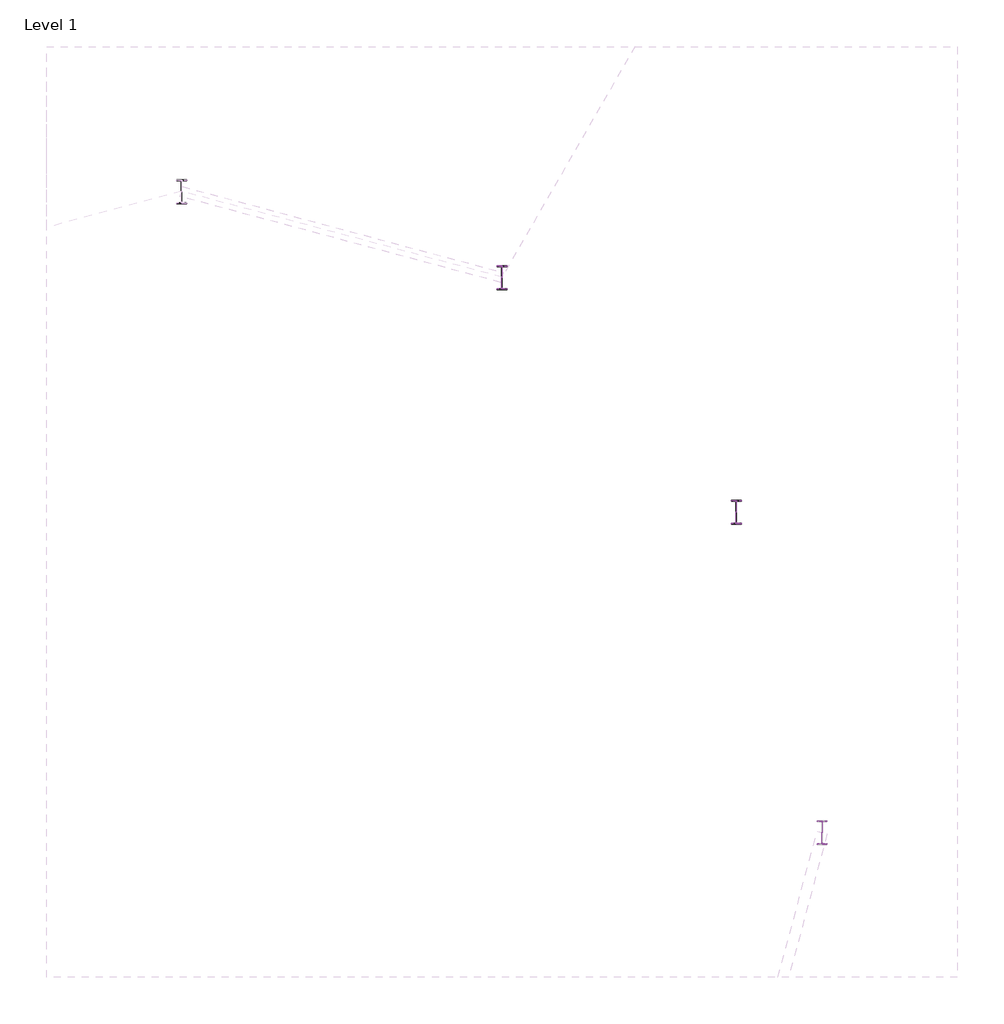
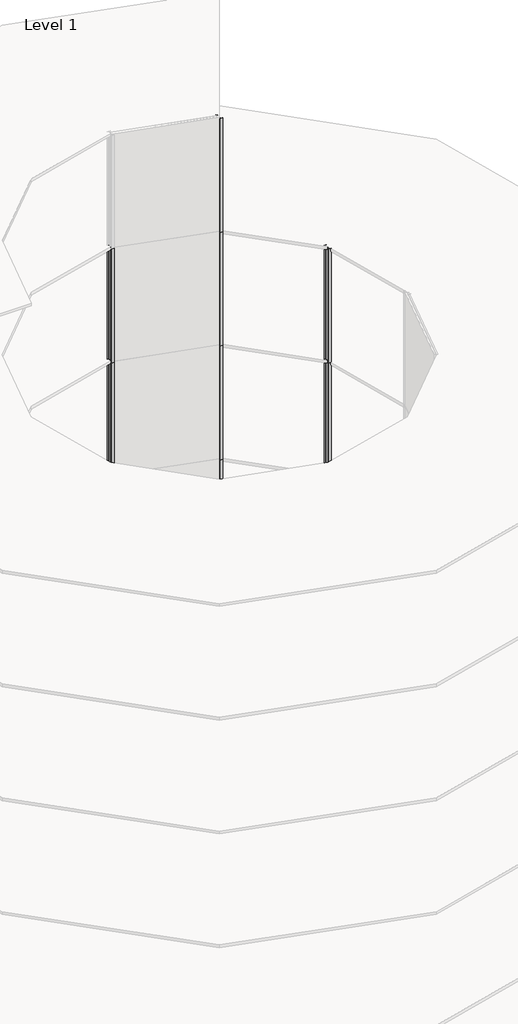
# One storey, part 7 of 9: 24 columns.
"""IFC4 building model written with IfcOpenShell, lengths in millimetres."""

from ifc_helpers import new_model, si_unit, point, frame, frame_2d, origin, origin_with_axes, place, context, project, spatial, polyline, circle_curve, trimmed, segment, composite_curve, outline, extrude, element, save

model = new_model("IFC4")

# Units and contexts
model_context = context("Model", 3, world=origin())
ifc_project = project(units=[si_unit("LENGTHUNIT", "METRE", prefix="MILLI")], contexts=[model_context])

# Site, building, storey
site = spatial("IfcSite", under=ifc_project)
building = spatial("IfcBuilding", under=site)
storey = spatial("IfcBuildingStorey", under=building, Name="Level 1", Elevation=0.0)

# Columns
placement = place(None, origin())
element("IfcColumn", 1, ObjectType="w shapes-column : W18X60", at=placement, inside=storey, context=model_context, shape_type="SweptSolid", body=[
    extrude(outline(composite_curve([segment(polyline([(10921.3298937, 6481.1402), (10921.3298937, 6463.3602), (10840.8118937, 6463.3602)]), True, "CONTINUOUS"), segment(trimmed(circle_curve(frame_2d((10840.8118937, 6453.2002)), 10.16), [point((10840.8118937, 6463.3602))], [point((10830.6518937, 6453.2002))], True, "CARTESIAN"), True, "CONTINUOUS"), segment(polyline([(10830.6518937, 6453.2002), (10830.6518937, 6046.8002)]), True, "CONTINUOUS"), segment(trimmed(circle_curve(frame_2d((10840.8118937, 6046.8002)), 10.16), [point((10830.6518937, 6046.8002))], [point((10840.8118937, 6036.6402))], True, "CARTESIAN"), True, "CONTINUOUS"), segment(polyline([(10840.8118937, 6036.6402), (10921.3298937, 6036.6402), (10921.3298937, 6018.8602), (10729.3058937, 6018.8602), (10729.3058937, 6036.6402), (10809.8238937, 6036.6402)]), True, "CONTINUOUS"), segment(trimmed(circle_curve(frame_2d((10809.8238937, 6046.8002)), 10.16), [point((10809.8238937, 6036.6402))], [point((10819.9838937, 6046.8002))], True, "CARTESIAN"), True, "CONTINUOUS"), segment(polyline([(10819.9838937, 6046.8002), (10819.9838937, 6453.2002)]), True, "CONTINUOUS"), segment(trimmed(circle_curve(frame_2d((10809.8238937, 6453.2002)), 10.16), [point((10819.9838937, 6453.2002))], [point((10809.8238937, 6463.3602))], True, "CARTESIAN"), True, "CONTINUOUS"), segment(polyline([(10809.8238937, 6463.3602), (10729.3058937, 6463.3602), (10729.3058937, 6481.1402), (10921.3298937, 6481.1402)]), True, "CONTINUOUS")], self_intersect=False)), origin_with_axes(), (0.0, 0.0, 1.0), 8000.000256),
])
element("IfcColumn", 2, ObjectType="w shapes-column : W18X60", at=placement, inside=storey, context=model_context, shape_type="SweptSolid", body=[
    extrude(outline(composite_curve([segment(polyline([(10921.3298937, 6481.1402), (10921.3298937, 6463.3602), (10840.8118937, 6463.3602)]), True, "CONTINUOUS"), segment(trimmed(circle_curve(frame_2d((10840.8118937, 6453.2002)), 10.16), [point((10840.8118937, 6463.3602))], [point((10830.6518937, 6453.2002))], True, "CARTESIAN"), True, "CONTINUOUS"), segment(polyline([(10830.6518937, 6453.2002), (10830.6518937, 6046.8002)]), True, "CONTINUOUS"), segment(trimmed(circle_curve(frame_2d((10840.8118937, 6046.8002)), 10.16), [point((10830.6518937, 6046.8002))], [point((10840.8118937, 6036.6402))], True, "CARTESIAN"), True, "CONTINUOUS"), segment(polyline([(10840.8118937, 6036.6402), (10921.3298937, 6036.6402), (10921.3298937, 6018.8602), (10729.3058937, 6018.8602), (10729.3058937, 6036.6402), (10809.8238937, 6036.6402)]), True, "CONTINUOUS"), segment(trimmed(circle_curve(frame_2d((10809.8238937, 6046.8002)), 10.16), [point((10809.8238937, 6036.6402))], [point((10819.9838937, 6046.8002))], True, "CARTESIAN"), True, "CONTINUOUS"), segment(polyline([(10819.9838937, 6046.8002), (10819.9838937, 6453.2002)]), True, "CONTINUOUS"), segment(trimmed(circle_curve(frame_2d((10809.8238937, 6453.2002)), 10.16), [point((10819.9838937, 6453.2002))], [point((10809.8238937, 6463.3602))], True, "CARTESIAN"), True, "CONTINUOUS"), segment(polyline([(10809.8238937, 6463.3602), (10729.3058937, 6463.3602), (10729.3058937, 6481.1402), (10921.3298937, 6481.1402)]), True, "CONTINUOUS")], self_intersect=False)), frame((0.0, 0.0, 8000.000256), z_axis=(0.0, 0.0, 1.0), x_axis=(1.0, 0.0, 0.0)), (0.0, 0.0, 1.0), 8000.000256),
])
element("IfcColumn", 3, ObjectType="w shapes-column : W18X60", at=placement, inside=storey, context=model_context, shape_type="SweptSolid", body=[
    extrude(outline(composite_curve([segment(polyline([(10921.3298937, 6481.1402), (10921.3298937, 6463.3602), (10840.8118937, 6463.3602)]), True, "CONTINUOUS"), segment(trimmed(circle_curve(frame_2d((10840.8118937, 6453.2002)), 10.16), [point((10840.8118937, 6463.3602))], [point((10830.6518937, 6453.2002))], True, "CARTESIAN"), True, "CONTINUOUS"), segment(polyline([(10830.6518937, 6453.2002), (10830.6518937, 6046.8002)]), True, "CONTINUOUS"), segment(trimmed(circle_curve(frame_2d((10840.8118937, 6046.8002)), 10.16), [point((10830.6518937, 6046.8002))], [point((10840.8118937, 6036.6402))], True, "CARTESIAN"), True, "CONTINUOUS"), segment(polyline([(10840.8118937, 6036.6402), (10921.3298937, 6036.6402), (10921.3298937, 6018.8602), (10729.3058937, 6018.8602), (10729.3058937, 6036.6402), (10809.8238937, 6036.6402)]), True, "CONTINUOUS"), segment(trimmed(circle_curve(frame_2d((10809.8238937, 6046.8002)), 10.16), [point((10809.8238937, 6036.6402))], [point((10819.9838937, 6046.8002))], True, "CARTESIAN"), True, "CONTINUOUS"), segment(polyline([(10819.9838937, 6046.8002), (10819.9838937, 6453.2002)]), True, "CONTINUOUS"), segment(trimmed(circle_curve(frame_2d((10809.8238937, 6453.2002)), 10.16), [point((10819.9838937, 6453.2002))], [point((10809.8238937, 6463.3602))], True, "CARTESIAN"), True, "CONTINUOUS"), segment(polyline([(10809.8238937, 6463.3602), (10729.3058937, 6463.3602), (10729.3058937, 6481.1402), (10921.3298937, 6481.1402)]), True, "CONTINUOUS")], self_intersect=False)), frame((0.0, 0.0, 16000.000512), z_axis=(0.0, 0.0, 1.0), x_axis=(1.0, 0.0, 0.0)), (0.0, 0.0, 1.0), 8000.000256),
])
element("IfcColumn", 4, ObjectType="w shapes-column : W18X60", at=placement, inside=storey, context=model_context, shape_type="SweptSolid", body=[
    extrude(outline(composite_curve([segment(polyline([(10921.3298937, 6481.1402), (10921.3298937, 6463.3602), (10840.8118937, 6463.3602)]), True, "CONTINUOUS"), segment(trimmed(circle_curve(frame_2d((10840.8118937, 6453.2002)), 10.16), [point((10840.8118937, 6463.3602))], [point((10830.6518937, 6453.2002))], True, "CARTESIAN"), True, "CONTINUOUS"), segment(polyline([(10830.6518937, 6453.2002), (10830.6518937, 6046.8002)]), True, "CONTINUOUS"), segment(trimmed(circle_curve(frame_2d((10840.8118937, 6046.8002)), 10.16), [point((10830.6518937, 6046.8002))], [point((10840.8118937, 6036.6402))], True, "CARTESIAN"), True, "CONTINUOUS"), segment(polyline([(10840.8118937, 6036.6402), (10921.3298937, 6036.6402), (10921.3298937, 6018.8602), (10729.3058937, 6018.8602), (10729.3058937, 6036.6402), (10809.8238937, 6036.6402)]), True, "CONTINUOUS"), segment(trimmed(circle_curve(frame_2d((10809.8238937, 6046.8002)), 10.16), [point((10809.8238937, 6036.6402))], [point((10819.9838937, 6046.8002))], True, "CARTESIAN"), True, "CONTINUOUS"), segment(polyline([(10819.9838937, 6046.8002), (10819.9838937, 6453.2002)]), True, "CONTINUOUS"), segment(trimmed(circle_curve(frame_2d((10809.8238937, 6453.2002)), 10.16), [point((10819.9838937, 6453.2002))], [point((10809.8238937, 6463.3602))], True, "CARTESIAN"), True, "CONTINUOUS"), segment(polyline([(10809.8238937, 6463.3602), (10729.3058937, 6463.3602), (10729.3058937, 6481.1402), (10921.3298937, 6481.1402)]), True, "CONTINUOUS")], self_intersect=False)), frame((0.0, 0.0, 24000.000768), z_axis=(0.0, 0.0, 1.0), x_axis=(1.0, 0.0, 0.0)), (0.0, 0.0, 1.0), 8000.000256),
])
element("IfcColumn", 5, ObjectType="w shapes-column : W18X60", at=placement, inside=storey, context=model_context, shape_type="SweptSolid", body=[
    extrude(outline(composite_curve([segment(polyline([(10921.3298937, 6481.1402), (10921.3298937, 6463.3602), (10840.8118937, 6463.3602)]), True, "CONTINUOUS"), segment(trimmed(circle_curve(frame_2d((10840.8118937, 6453.2002)), 10.16), [point((10840.8118937, 6463.3602))], [point((10830.6518937, 6453.2002))], True, "CARTESIAN"), True, "CONTINUOUS"), segment(polyline([(10830.6518937, 6453.2002), (10830.6518937, 6046.8002)]), True, "CONTINUOUS"), segment(trimmed(circle_curve(frame_2d((10840.8118937, 6046.8002)), 10.16), [point((10830.6518937, 6046.8002))], [point((10840.8118937, 6036.6402))], True, "CARTESIAN"), True, "CONTINUOUS"), segment(polyline([(10840.8118937, 6036.6402), (10921.3298937, 6036.6402), (10921.3298937, 6018.8602), (10729.3058937, 6018.8602), (10729.3058937, 6036.6402), (10809.8238937, 6036.6402)]), True, "CONTINUOUS"), segment(trimmed(circle_curve(frame_2d((10809.8238937, 6046.8002)), 10.16), [point((10809.8238937, 6036.6402))], [point((10819.9838937, 6046.8002))], True, "CARTESIAN"), True, "CONTINUOUS"), segment(polyline([(10819.9838937, 6046.8002), (10819.9838937, 6453.2002)]), True, "CONTINUOUS"), segment(trimmed(circle_curve(frame_2d((10809.8238937, 6453.2002)), 10.16), [point((10819.9838937, 6453.2002))], [point((10809.8238937, 6463.3602))], True, "CARTESIAN"), True, "CONTINUOUS"), segment(polyline([(10809.8238937, 6463.3602), (10729.3058937, 6463.3602), (10729.3058937, 6481.1402), (10921.3298937, 6481.1402)]), True, "CONTINUOUS")], self_intersect=False)), frame((0.0, 0.0, 32000.001024), z_axis=(0.0, 0.0, 1.0), x_axis=(1.0, 0.0, 0.0)), (0.0, 0.0, 1.0), 8000.000256),
])
element("IfcColumn", 6, ObjectType="w shapes-column : W18X60", at=placement, inside=storey, context=model_context, shape_type="SweptSolid", body=[
    extrude(outline(composite_curve([segment(polyline([(10921.3298937, 6481.1402), (10921.3298937, 6463.3602), (10840.8118937, 6463.3602)]), True, "CONTINUOUS"), segment(trimmed(circle_curve(frame_2d((10840.8118937, 6453.2002)), 10.16), [point((10840.8118937, 6463.3602))], [point((10830.6518937, 6453.2002))], True, "CARTESIAN"), True, "CONTINUOUS"), segment(polyline([(10830.6518937, 6453.2002), (10830.6518937, 6046.8002)]), True, "CONTINUOUS"), segment(trimmed(circle_curve(frame_2d((10840.8118937, 6046.8002)), 10.16), [point((10830.6518937, 6046.8002))], [point((10840.8118937, 6036.6402))], True, "CARTESIAN"), True, "CONTINUOUS"), segment(polyline([(10840.8118937, 6036.6402), (10921.3298937, 6036.6402), (10921.3298937, 6018.8602), (10729.3058937, 6018.8602), (10729.3058937, 6036.6402), (10809.8238937, 6036.6402)]), True, "CONTINUOUS"), segment(trimmed(circle_curve(frame_2d((10809.8238937, 6046.8002)), 10.16), [point((10809.8238937, 6036.6402))], [point((10819.9838937, 6046.8002))], True, "CARTESIAN"), True, "CONTINUOUS"), segment(polyline([(10819.9838937, 6046.8002), (10819.9838937, 6453.2002)]), True, "CONTINUOUS"), segment(trimmed(circle_curve(frame_2d((10809.8238937, 6453.2002)), 10.16), [point((10819.9838937, 6453.2002))], [point((10809.8238937, 6463.3602))], True, "CARTESIAN"), True, "CONTINUOUS"), segment(polyline([(10809.8238937, 6463.3602), (10729.3058937, 6463.3602), (10729.3058937, 6481.1402), (10921.3298937, 6481.1402)]), True, "CONTINUOUS")], self_intersect=False)), frame((0.0, 0.0, 40000.00128), z_axis=(0.0, 0.0, 1.0), x_axis=(1.0, 0.0, 0.0)), (0.0, 0.0, 1.0), 8000.000256),
])
element("IfcColumn", 7, ObjectType="w shapes-column : W18X60", at=placement, inside=storey, context=model_context, shape_type="SweptSolid", body=[
    extrude(outline(composite_curve([segment(polyline([(6346.0122, 11056.4578937), (6346.0122, 11038.6778937), (6265.4942, 11038.6778937)]), True, "CONTINUOUS"), segment(trimmed(circle_curve(frame_2d((6265.4942, 11028.5178937)), 10.16), [point((6265.4942, 11038.6778937))], [point((6255.3342, 11028.5178937))], True, "CARTESIAN"), True, "CONTINUOUS"), segment(polyline([(6255.3342, 11028.5178937), (6255.3342, 10622.1178937)]), True, "CONTINUOUS"), segment(trimmed(circle_curve(frame_2d((6265.4942, 10622.1178937)), 10.16), [point((6255.3342, 10622.1178937))], [point((6265.4942, 10611.9578937))], True, "CARTESIAN"), True, "CONTINUOUS"), segment(polyline([(6265.4942, 10611.9578937), (6346.0122, 10611.9578937), (6346.0122, 10594.1778937), (6153.9882, 10594.1778937), (6153.9882, 10611.9578937), (6234.5062, 10611.9578937)]), True, "CONTINUOUS"), segment(trimmed(circle_curve(frame_2d((6234.5062, 10622.1178937)), 10.16), [point((6234.5062, 10611.9578937))], [point((6244.6662, 10622.1178937))], True, "CARTESIAN"), True, "CONTINUOUS"), segment(polyline([(6244.6662, 10622.1178937), (6244.6662, 11028.5178937)]), True, "CONTINUOUS"), segment(trimmed(circle_curve(frame_2d((6234.5062, 11028.5178937)), 10.16), [point((6244.6662, 11028.5178937))], [point((6234.5062, 11038.6778937))], True, "CARTESIAN"), True, "CONTINUOUS"), segment(polyline([(6234.5062, 11038.6778937), (6153.9882, 11038.6778937), (6153.9882, 11056.4578937), (6346.0122, 11056.4578937)]), True, "CONTINUOUS")], self_intersect=False)), origin_with_axes(), (0.0, 0.0, 1.0), 8000.000256),
])
element("IfcColumn", 8, ObjectType="w shapes-column : W18X60", at=placement, inside=storey, context=model_context, shape_type="SweptSolid", body=[
    extrude(outline(composite_curve([segment(polyline([(6346.0122, 11056.4578937), (6346.0122, 11038.6778937), (6265.4942, 11038.6778937)]), True, "CONTINUOUS"), segment(trimmed(circle_curve(frame_2d((6265.4942, 11028.5178937)), 10.16), [point((6265.4942, 11038.6778937))], [point((6255.3342, 11028.5178937))], True, "CARTESIAN"), True, "CONTINUOUS"), segment(polyline([(6255.3342, 11028.5178937), (6255.3342, 10622.1178937)]), True, "CONTINUOUS"), segment(trimmed(circle_curve(frame_2d((6265.4942, 10622.1178937)), 10.16), [point((6255.3342, 10622.1178937))], [point((6265.4942, 10611.9578937))], True, "CARTESIAN"), True, "CONTINUOUS"), segment(polyline([(6265.4942, 10611.9578937), (6346.0122, 10611.9578937), (6346.0122, 10594.1778937), (6153.9882, 10594.1778937), (6153.9882, 10611.9578937), (6234.5062, 10611.9578937)]), True, "CONTINUOUS"), segment(trimmed(circle_curve(frame_2d((6234.5062, 10622.1178937)), 10.16), [point((6234.5062, 10611.9578937))], [point((6244.6662, 10622.1178937))], True, "CARTESIAN"), True, "CONTINUOUS"), segment(polyline([(6244.6662, 10622.1178937), (6244.6662, 11028.5178937)]), True, "CONTINUOUS"), segment(trimmed(circle_curve(frame_2d((6234.5062, 11028.5178937)), 10.16), [point((6244.6662, 11028.5178937))], [point((6234.5062, 11038.6778937))], True, "CARTESIAN"), True, "CONTINUOUS"), segment(polyline([(6234.5062, 11038.6778937), (6153.9882, 11038.6778937), (6153.9882, 11056.4578937), (6346.0122, 11056.4578937)]), True, "CONTINUOUS")], self_intersect=False)), frame((0.0, 0.0, 8000.000256), z_axis=(0.0, 0.0, 1.0), x_axis=(1.0, 0.0, 0.0)), (0.0, 0.0, 1.0), 8000.000256),
])
element("IfcColumn", 9, ObjectType="w shapes-column : W18X60", at=placement, inside=storey, context=model_context, shape_type="SweptSolid", body=[
    extrude(outline(composite_curve([segment(polyline([(6346.0122, 11056.4578937), (6346.0122, 11038.6778937), (6265.4942, 11038.6778937)]), True, "CONTINUOUS"), segment(trimmed(circle_curve(frame_2d((6265.4942, 11028.5178937)), 10.16), [point((6265.4942, 11038.6778937))], [point((6255.3342, 11028.5178937))], True, "CARTESIAN"), True, "CONTINUOUS"), segment(polyline([(6255.3342, 11028.5178937), (6255.3342, 10622.1178937)]), True, "CONTINUOUS"), segment(trimmed(circle_curve(frame_2d((6265.4942, 10622.1178937)), 10.16), [point((6255.3342, 10622.1178937))], [point((6265.4942, 10611.9578937))], True, "CARTESIAN"), True, "CONTINUOUS"), segment(polyline([(6265.4942, 10611.9578937), (6346.0122, 10611.9578937), (6346.0122, 10594.1778937), (6153.9882, 10594.1778937), (6153.9882, 10611.9578937), (6234.5062, 10611.9578937)]), True, "CONTINUOUS"), segment(trimmed(circle_curve(frame_2d((6234.5062, 10622.1178937)), 10.16), [point((6234.5062, 10611.9578937))], [point((6244.6662, 10622.1178937))], True, "CARTESIAN"), True, "CONTINUOUS"), segment(polyline([(6244.6662, 10622.1178937), (6244.6662, 11028.5178937)]), True, "CONTINUOUS"), segment(trimmed(circle_curve(frame_2d((6234.5062, 11028.5178937)), 10.16), [point((6244.6662, 11028.5178937))], [point((6234.5062, 11038.6778937))], True, "CARTESIAN"), True, "CONTINUOUS"), segment(polyline([(6234.5062, 11038.6778937), (6153.9882, 11038.6778937), (6153.9882, 11056.4578937), (6346.0122, 11056.4578937)]), True, "CONTINUOUS")], self_intersect=False)), frame((0.0, 0.0, 16000.000512), z_axis=(0.0, 0.0, 1.0), x_axis=(1.0, 0.0, 0.0)), (0.0, 0.0, 1.0), 8000.000256),
])
element("IfcColumn", 10, ObjectType="w shapes-column : W18X60", at=placement, inside=storey, context=model_context, shape_type="SweptSolid", body=[
    extrude(outline(composite_curve([segment(polyline([(6346.0122, 11056.4578937), (6346.0122, 11038.6778937), (6265.4942, 11038.6778937)]), True, "CONTINUOUS"), segment(trimmed(circle_curve(frame_2d((6265.4942, 11028.5178937)), 10.16), [point((6265.4942, 11038.6778937))], [point((6255.3342, 11028.5178937))], True, "CARTESIAN"), True, "CONTINUOUS"), segment(polyline([(6255.3342, 11028.5178937), (6255.3342, 10622.1178937)]), True, "CONTINUOUS"), segment(trimmed(circle_curve(frame_2d((6265.4942, 10622.1178937)), 10.16), [point((6255.3342, 10622.1178937))], [point((6265.4942, 10611.9578937))], True, "CARTESIAN"), True, "CONTINUOUS"), segment(polyline([(6265.4942, 10611.9578937), (6346.0122, 10611.9578937), (6346.0122, 10594.1778937), (6153.9882, 10594.1778937), (6153.9882, 10611.9578937), (6234.5062, 10611.9578937)]), True, "CONTINUOUS"), segment(trimmed(circle_curve(frame_2d((6234.5062, 10622.1178937)), 10.16), [point((6234.5062, 10611.9578937))], [point((6244.6662, 10622.1178937))], True, "CARTESIAN"), True, "CONTINUOUS"), segment(polyline([(6244.6662, 10622.1178937), (6244.6662, 11028.5178937)]), True, "CONTINUOUS"), segment(trimmed(circle_curve(frame_2d((6234.5062, 11028.5178937)), 10.16), [point((6244.6662, 11028.5178937))], [point((6234.5062, 11038.6778937))], True, "CARTESIAN"), True, "CONTINUOUS"), segment(polyline([(6234.5062, 11038.6778937), (6153.9882, 11038.6778937), (6153.9882, 11056.4578937), (6346.0122, 11056.4578937)]), True, "CONTINUOUS")], self_intersect=False)), frame((0.0, 0.0, 24000.000768), z_axis=(0.0, 0.0, 1.0), x_axis=(1.0, 0.0, 0.0)), (0.0, 0.0, 1.0), 8000.000256),
])
element("IfcColumn", 11, ObjectType="w shapes-column : W18X60", at=placement, inside=storey, context=model_context, shape_type="SweptSolid", body=[
    extrude(outline(composite_curve([segment(polyline([(6346.0122, 11056.4578937), (6346.0122, 11038.6778937), (6265.4942, 11038.6778937)]), True, "CONTINUOUS"), segment(trimmed(circle_curve(frame_2d((6265.4942, 11028.5178937)), 10.16), [point((6265.4942, 11038.6778937))], [point((6255.3342, 11028.5178937))], True, "CARTESIAN"), True, "CONTINUOUS"), segment(polyline([(6255.3342, 11028.5178937), (6255.3342, 10622.1178937)]), True, "CONTINUOUS"), segment(trimmed(circle_curve(frame_2d((6265.4942, 10622.1178937)), 10.16), [point((6255.3342, 10622.1178937))], [point((6265.4942, 10611.9578937))], True, "CARTESIAN"), True, "CONTINUOUS"), segment(polyline([(6265.4942, 10611.9578937), (6346.0122, 10611.9578937), (6346.0122, 10594.1778937), (6153.9882, 10594.1778937), (6153.9882, 10611.9578937), (6234.5062, 10611.9578937)]), True, "CONTINUOUS"), segment(trimmed(circle_curve(frame_2d((6234.5062, 10622.1178937)), 10.16), [point((6234.5062, 10611.9578937))], [point((6244.6662, 10622.1178937))], True, "CARTESIAN"), True, "CONTINUOUS"), segment(polyline([(6244.6662, 10622.1178937), (6244.6662, 11028.5178937)]), True, "CONTINUOUS"), segment(trimmed(circle_curve(frame_2d((6234.5062, 11028.5178937)), 10.16), [point((6244.6662, 11028.5178937))], [point((6234.5062, 11038.6778937))], True, "CARTESIAN"), True, "CONTINUOUS"), segment(polyline([(6234.5062, 11038.6778937), (6153.9882, 11038.6778937), (6153.9882, 11056.4578937), (6346.0122, 11056.4578937)]), True, "CONTINUOUS")], self_intersect=False)), frame((0.0, 0.0, 32000.001024), z_axis=(0.0, 0.0, 1.0), x_axis=(1.0, 0.0, 0.0)), (0.0, 0.0, 1.0), 8000.000256),
])
element("IfcColumn", 12, ObjectType="w shapes-column : W18X60", at=placement, inside=storey, context=model_context, shape_type="SweptSolid", body=[
    extrude(outline(composite_curve([segment(polyline([(6346.0122, 11056.4578937), (6346.0122, 11038.6778937), (6265.4942, 11038.6778937)]), True, "CONTINUOUS"), segment(trimmed(circle_curve(frame_2d((6265.4942, 11028.5178937)), 10.16), [point((6265.4942, 11038.6778937))], [point((6255.3342, 11028.5178937))], True, "CARTESIAN"), True, "CONTINUOUS"), segment(polyline([(6255.3342, 11028.5178937), (6255.3342, 10622.1178937)]), True, "CONTINUOUS"), segment(trimmed(circle_curve(frame_2d((6265.4942, 10622.1178937)), 10.16), [point((6255.3342, 10622.1178937))], [point((6265.4942, 10611.9578937))], True, "CARTESIAN"), True, "CONTINUOUS"), segment(polyline([(6265.4942, 10611.9578937), (6346.0122, 10611.9578937), (6346.0122, 10594.1778937), (6153.9882, 10594.1778937), (6153.9882, 10611.9578937), (6234.5062, 10611.9578937)]), True, "CONTINUOUS"), segment(trimmed(circle_curve(frame_2d((6234.5062, 10622.1178937)), 10.16), [point((6234.5062, 10611.9578937))], [point((6244.6662, 10622.1178937))], True, "CARTESIAN"), True, "CONTINUOUS"), segment(polyline([(6244.6662, 10622.1178937), (6244.6662, 11028.5178937)]), True, "CONTINUOUS"), segment(trimmed(circle_curve(frame_2d((6234.5062, 11028.5178937)), 10.16), [point((6244.6662, 11028.5178937))], [point((6234.5062, 11038.6778937))], True, "CARTESIAN"), True, "CONTINUOUS"), segment(polyline([(6234.5062, 11038.6778937), (6153.9882, 11038.6778937), (6153.9882, 11056.4578937), (6346.0122, 11056.4578937)]), True, "CONTINUOUS")], self_intersect=False)), frame((0.0, 0.0, 40000.00128), z_axis=(0.0, 0.0, 1.0), x_axis=(1.0, 0.0, 0.0)), (0.0, 0.0, 1.0), 8000.000256),
])
element("IfcColumn", 13, ObjectType="w shapes-column : W18X60", at=placement, inside=storey, context=model_context, shape_type="SweptSolid", body=[
    extrude(outline(composite_curve([segment(polyline([(6346.0122, 11056.4578937), (6346.0122, 11038.6778937), (6265.4942, 11038.6778937)]), True, "CONTINUOUS"), segment(trimmed(circle_curve(frame_2d((6265.4942, 11028.5178937)), 10.16), [point((6265.4942, 11038.6778937))], [point((6255.3342, 11028.5178937))], True, "CARTESIAN"), True, "CONTINUOUS"), segment(polyline([(6255.3342, 11028.5178937), (6255.3342, 10622.1178937)]), True, "CONTINUOUS"), segment(trimmed(circle_curve(frame_2d((6265.4942, 10622.1178937)), 10.16), [point((6255.3342, 10622.1178937))], [point((6265.4942, 10611.9578937))], True, "CARTESIAN"), True, "CONTINUOUS"), segment(polyline([(6265.4942, 10611.9578937), (6346.0122, 10611.9578937), (6346.0122, 10594.1778937), (6153.9882, 10594.1778937), (6153.9882, 10611.9578937), (6234.5062, 10611.9578937)]), True, "CONTINUOUS"), segment(trimmed(circle_curve(frame_2d((6234.5062, 10622.1178937)), 10.16), [point((6234.5062, 10611.9578937))], [point((6244.6662, 10622.1178937))], True, "CARTESIAN"), True, "CONTINUOUS"), segment(polyline([(6244.6662, 10622.1178937), (6244.6662, 11028.5178937)]), True, "CONTINUOUS"), segment(trimmed(circle_curve(frame_2d((6234.5062, 11028.5178937)), 10.16), [point((6244.6662, 11028.5178937))], [point((6234.5062, 11038.6778937))], True, "CARTESIAN"), True, "CONTINUOUS"), segment(polyline([(6234.5062, 11038.6778937), (6153.9882, 11038.6778937), (6153.9882, 11056.4578937), (6346.0122, 11056.4578937)]), True, "CONTINUOUS")], self_intersect=False)), frame((0.0, 0.0, 48000.001536), z_axis=(0.0, 0.0, 1.0), x_axis=(1.0, 0.0, 0.0)), (0.0, 0.0, 1.0), 8000.000256),
])
element("IfcColumn", 14, ObjectType="w shapes-column : W18X60", at=placement, inside=storey, context=model_context, shape_type="SweptSolid", body=[
    extrude(outline(composite_curve([segment(polyline([(96.012, 12731.1404), (96.012, 12713.3604), (15.494, 12713.3604)]), True, "CONTINUOUS"), segment(trimmed(circle_curve(frame_2d((15.494, 12703.2004)), 10.16), [point((15.494, 12713.3604))], [point((5.334, 12703.2004))], True, "CARTESIAN"), True, "CONTINUOUS"), segment(polyline([(5.334, 12703.2004), (5.334, 12296.8004)]), True, "CONTINUOUS"), segment(trimmed(circle_curve(frame_2d((15.494, 12296.8004)), 10.16), [point((5.334, 12296.8004))], [point((15.494, 12286.6404))], True, "CARTESIAN"), True, "CONTINUOUS"), segment(polyline([(15.494, 12286.6404), (96.012, 12286.6404), (96.012, 12268.8604), (-96.012, 12268.8604), (-96.012, 12286.6404), (-15.494, 12286.6404)]), True, "CONTINUOUS"), segment(trimmed(circle_curve(frame_2d((-15.494, 12296.8004)), 10.16), [point((-15.494, 12286.6404))], [point((-5.334, 12296.8004))], True, "CARTESIAN"), True, "CONTINUOUS"), segment(polyline([(-5.334, 12296.8004), (-5.334, 12703.2004)]), True, "CONTINUOUS"), segment(trimmed(circle_curve(frame_2d((-15.494, 12703.2004)), 10.16), [point((-5.334, 12703.2004))], [point((-15.494, 12713.3604))], True, "CARTESIAN"), True, "CONTINUOUS"), segment(polyline([(-15.494, 12713.3604), (-96.012, 12713.3604), (-96.012, 12731.1404), (96.012, 12731.1404)]), True, "CONTINUOUS")], self_intersect=False)), origin_with_axes(), (0.0, 0.0, 1.0), 8000.000256),
])
element("IfcColumn", 15, ObjectType="w shapes-column : W18X60", at=placement, inside=storey, context=model_context, shape_type="SweptSolid", body=[
    extrude(outline(composite_curve([segment(polyline([(96.012, 12731.1404), (96.012, 12713.3604), (15.494, 12713.3604)]), True, "CONTINUOUS"), segment(trimmed(circle_curve(frame_2d((15.494, 12703.2004)), 10.16), [point((15.494, 12713.3604))], [point((5.334, 12703.2004))], True, "CARTESIAN"), True, "CONTINUOUS"), segment(polyline([(5.334, 12703.2004), (5.334, 12296.8004)]), True, "CONTINUOUS"), segment(trimmed(circle_curve(frame_2d((15.494, 12296.8004)), 10.16), [point((5.334, 12296.8004))], [point((15.494, 12286.6404))], True, "CARTESIAN"), True, "CONTINUOUS"), segment(polyline([(15.494, 12286.6404), (96.012, 12286.6404), (96.012, 12268.8604), (-96.012, 12268.8604), (-96.012, 12286.6404), (-15.494, 12286.6404)]), True, "CONTINUOUS"), segment(trimmed(circle_curve(frame_2d((-15.494, 12296.8004)), 10.16), [point((-15.494, 12286.6404))], [point((-5.334, 12296.8004))], True, "CARTESIAN"), True, "CONTINUOUS"), segment(polyline([(-5.334, 12296.8004), (-5.334, 12703.2004)]), True, "CONTINUOUS"), segment(trimmed(circle_curve(frame_2d((-15.494, 12703.2004)), 10.16), [point((-5.334, 12703.2004))], [point((-15.494, 12713.3604))], True, "CARTESIAN"), True, "CONTINUOUS"), segment(polyline([(-15.494, 12713.3604), (-96.012, 12713.3604), (-96.012, 12731.1404), (96.012, 12731.1404)]), True, "CONTINUOUS")], self_intersect=False)), frame((0.0, 0.0, 8000.000256), z_axis=(0.0, 0.0, 1.0), x_axis=(1.0, 0.0, 0.0)), (0.0, 0.0, 1.0), 8000.000256),
])
element("IfcColumn", 16, ObjectType="w shapes-column : W18X60", at=placement, inside=storey, context=model_context, shape_type="SweptSolid", body=[
    extrude(outline(composite_curve([segment(polyline([(96.012, 12731.1404), (96.012, 12713.3604), (15.494, 12713.3604)]), True, "CONTINUOUS"), segment(trimmed(circle_curve(frame_2d((15.494, 12703.2004)), 10.16), [point((15.494, 12713.3604))], [point((5.334, 12703.2004))], True, "CARTESIAN"), True, "CONTINUOUS"), segment(polyline([(5.334, 12703.2004), (5.334, 12296.8004)]), True, "CONTINUOUS"), segment(trimmed(circle_curve(frame_2d((15.494, 12296.8004)), 10.16), [point((5.334, 12296.8004))], [point((15.494, 12286.6404))], True, "CARTESIAN"), True, "CONTINUOUS"), segment(polyline([(15.494, 12286.6404), (96.012, 12286.6404), (96.012, 12268.8604), (-96.012, 12268.8604), (-96.012, 12286.6404), (-15.494, 12286.6404)]), True, "CONTINUOUS"), segment(trimmed(circle_curve(frame_2d((-15.494, 12296.8004)), 10.16), [point((-15.494, 12286.6404))], [point((-5.334, 12296.8004))], True, "CARTESIAN"), True, "CONTINUOUS"), segment(polyline([(-5.334, 12296.8004), (-5.334, 12703.2004)]), True, "CONTINUOUS"), segment(trimmed(circle_curve(frame_2d((-15.494, 12703.2004)), 10.16), [point((-5.334, 12703.2004))], [point((-15.494, 12713.3604))], True, "CARTESIAN"), True, "CONTINUOUS"), segment(polyline([(-15.494, 12713.3604), (-96.012, 12713.3604), (-96.012, 12731.1404), (96.012, 12731.1404)]), True, "CONTINUOUS")], self_intersect=False)), frame((0.0, 0.0, 16000.000512), z_axis=(0.0, 0.0, 1.0), x_axis=(1.0, 0.0, 0.0)), (0.0, 0.0, 1.0), 8000.000256),
])
element("IfcColumn", 17, ObjectType="w shapes-column : W18X60", at=placement, inside=storey, context=model_context, shape_type="SweptSolid", body=[
    extrude(outline(composite_curve([segment(polyline([(96.012, 12731.1404), (96.012, 12713.3604), (15.494, 12713.3604)]), True, "CONTINUOUS"), segment(trimmed(circle_curve(frame_2d((15.494, 12703.2004)), 10.16), [point((15.494, 12713.3604))], [point((5.334, 12703.2004))], True, "CARTESIAN"), True, "CONTINUOUS"), segment(polyline([(5.334, 12703.2004), (5.334, 12296.8004)]), True, "CONTINUOUS"), segment(trimmed(circle_curve(frame_2d((15.494, 12296.8004)), 10.16), [point((5.334, 12296.8004))], [point((15.494, 12286.6404))], True, "CARTESIAN"), True, "CONTINUOUS"), segment(polyline([(15.494, 12286.6404), (96.012, 12286.6404), (96.012, 12268.8604), (-96.012, 12268.8604), (-96.012, 12286.6404), (-15.494, 12286.6404)]), True, "CONTINUOUS"), segment(trimmed(circle_curve(frame_2d((-15.494, 12296.8004)), 10.16), [point((-15.494, 12286.6404))], [point((-5.334, 12296.8004))], True, "CARTESIAN"), True, "CONTINUOUS"), segment(polyline([(-5.334, 12296.8004), (-5.334, 12703.2004)]), True, "CONTINUOUS"), segment(trimmed(circle_curve(frame_2d((-15.494, 12703.2004)), 10.16), [point((-5.334, 12703.2004))], [point((-15.494, 12713.3604))], True, "CARTESIAN"), True, "CONTINUOUS"), segment(polyline([(-15.494, 12713.3604), (-96.012, 12713.3604), (-96.012, 12731.1404), (96.012, 12731.1404)]), True, "CONTINUOUS")], self_intersect=False)), frame((0.0, 0.0, 24000.000768), z_axis=(0.0, 0.0, 1.0), x_axis=(1.0, 0.0, 0.0)), (0.0, 0.0, 1.0), 8000.000256),
])
element("IfcColumn", 18, ObjectType="w shapes-column : W18X60", at=placement, inside=storey, context=model_context, shape_type="SweptSolid", body=[
    extrude(outline(composite_curve([segment(polyline([(96.012, 12731.1404), (96.012, 12713.3604), (15.494, 12713.3604)]), True, "CONTINUOUS"), segment(trimmed(circle_curve(frame_2d((15.494, 12703.2004)), 10.16), [point((15.494, 12713.3604))], [point((5.334, 12703.2004))], True, "CARTESIAN"), True, "CONTINUOUS"), segment(polyline([(5.334, 12703.2004), (5.334, 12296.8004)]), True, "CONTINUOUS"), segment(trimmed(circle_curve(frame_2d((15.494, 12296.8004)), 10.16), [point((5.334, 12296.8004))], [point((15.494, 12286.6404))], True, "CARTESIAN"), True, "CONTINUOUS"), segment(polyline([(15.494, 12286.6404), (96.012, 12286.6404), (96.012, 12268.8604), (-96.012, 12268.8604), (-96.012, 12286.6404), (-15.494, 12286.6404)]), True, "CONTINUOUS"), segment(trimmed(circle_curve(frame_2d((-15.494, 12296.8004)), 10.16), [point((-15.494, 12286.6404))], [point((-5.334, 12296.8004))], True, "CARTESIAN"), True, "CONTINUOUS"), segment(polyline([(-5.334, 12296.8004), (-5.334, 12703.2004)]), True, "CONTINUOUS"), segment(trimmed(circle_curve(frame_2d((-15.494, 12703.2004)), 10.16), [point((-5.334, 12703.2004))], [point((-15.494, 12713.3604))], True, "CARTESIAN"), True, "CONTINUOUS"), segment(polyline([(-15.494, 12713.3604), (-96.012, 12713.3604), (-96.012, 12731.1404), (96.012, 12731.1404)]), True, "CONTINUOUS")], self_intersect=False)), frame((0.0, 0.0, 32000.001024), z_axis=(0.0, 0.0, 1.0), x_axis=(1.0, 0.0, 0.0)), (0.0, 0.0, 1.0), 8000.000256),
])
element("IfcColumn", 19, ObjectType="w shapes-column : W18X60", at=placement, inside=storey, context=model_context, shape_type="SweptSolid", body=[
    extrude(outline(composite_curve([segment(polyline([(96.012, 12731.1404), (96.012, 12713.3604), (15.494, 12713.3604)]), True, "CONTINUOUS"), segment(trimmed(circle_curve(frame_2d((15.494, 12703.2004)), 10.16), [point((15.494, 12713.3604))], [point((5.334, 12703.2004))], True, "CARTESIAN"), True, "CONTINUOUS"), segment(polyline([(5.334, 12703.2004), (5.334, 12296.8004)]), True, "CONTINUOUS"), segment(trimmed(circle_curve(frame_2d((15.494, 12296.8004)), 10.16), [point((5.334, 12296.8004))], [point((15.494, 12286.6404))], True, "CARTESIAN"), True, "CONTINUOUS"), segment(polyline([(15.494, 12286.6404), (96.012, 12286.6404), (96.012, 12268.8604), (-96.012, 12268.8604), (-96.012, 12286.6404), (-15.494, 12286.6404)]), True, "CONTINUOUS"), segment(trimmed(circle_curve(frame_2d((-15.494, 12296.8004)), 10.16), [point((-15.494, 12286.6404))], [point((-5.334, 12296.8004))], True, "CARTESIAN"), True, "CONTINUOUS"), segment(polyline([(-5.334, 12296.8004), (-5.334, 12703.2004)]), True, "CONTINUOUS"), segment(trimmed(circle_curve(frame_2d((-15.494, 12703.2004)), 10.16), [point((-5.334, 12703.2004))], [point((-15.494, 12713.3604))], True, "CARTESIAN"), True, "CONTINUOUS"), segment(polyline([(-15.494, 12713.3604), (-96.012, 12713.3604), (-96.012, 12731.1404), (96.012, 12731.1404)]), True, "CONTINUOUS")], self_intersect=False)), frame((0.0, 0.0, 40000.00128), z_axis=(0.0, 0.0, 1.0), x_axis=(1.0, 0.0, 0.0)), (0.0, 0.0, 1.0), 8000.000256),
])
element("IfcColumn", 20, ObjectType="w shapes-column : W18X60", at=placement, inside=storey, context=model_context, shape_type="SweptSolid", body=[
    extrude(outline(composite_curve([segment(polyline([(12596.0124, 231.14), (12596.0124, 213.36), (12515.4944, 213.36)]), True, "CONTINUOUS"), segment(trimmed(circle_curve(frame_2d((12515.4944, 203.2)), 10.16), [point((12515.4944, 213.36))], [point((12505.3344, 203.2))], True, "CARTESIAN"), True, "CONTINUOUS"), segment(polyline([(12505.3344, 203.2), (12505.3344, -203.2)]), True, "CONTINUOUS"), segment(trimmed(circle_curve(frame_2d((12515.4944, -203.2)), 10.16), [point((12505.3344, -203.2))], [point((12515.4944, -213.36))], True, "CARTESIAN"), True, "CONTINUOUS"), segment(polyline([(12515.4944, -213.36), (12596.0124, -213.36), (12596.0124, -231.14), (12403.9884, -231.14), (12403.9884, -213.36), (12484.5064, -213.36)]), True, "CONTINUOUS"), segment(trimmed(circle_curve(frame_2d((12484.5064, -203.2)), 10.16), [point((12484.5064, -213.36))], [point((12494.6664, -203.2))], True, "CARTESIAN"), True, "CONTINUOUS"), segment(polyline([(12494.6664, -203.2), (12494.6664, 203.2)]), True, "CONTINUOUS"), segment(trimmed(circle_curve(frame_2d((12484.5064, 203.2)), 10.16), [point((12494.6664, 203.2))], [point((12484.5064, 213.36))], True, "CARTESIAN"), True, "CONTINUOUS"), segment(polyline([(12484.5064, 213.36), (12403.9884, 213.36), (12403.9884, 231.14), (12596.0124, 231.14)]), True, "CONTINUOUS")], self_intersect=False)), frame((0.0, 0.0, 8000.000256), z_axis=(0.0, 0.0, 1.0), x_axis=(1.0, 0.0, 0.0)), (0.0, 0.0, 1.0), 8000.000256),
])
element("IfcColumn", 21, ObjectType="w shapes-column : W18X60", at=placement, inside=storey, context=model_context, shape_type="SweptSolid", body=[
    extrude(outline(composite_curve([segment(polyline([(12596.0124, 231.14), (12596.0124, 213.36), (12515.4944, 213.36)]), True, "CONTINUOUS"), segment(trimmed(circle_curve(frame_2d((12515.4944, 203.2)), 10.16), [point((12515.4944, 213.36))], [point((12505.3344, 203.2))], True, "CARTESIAN"), True, "CONTINUOUS"), segment(polyline([(12505.3344, 203.2), (12505.3344, -203.2)]), True, "CONTINUOUS"), segment(trimmed(circle_curve(frame_2d((12515.4944, -203.2)), 10.16), [point((12505.3344, -203.2))], [point((12515.4944, -213.36))], True, "CARTESIAN"), True, "CONTINUOUS"), segment(polyline([(12515.4944, -213.36), (12596.0124, -213.36), (12596.0124, -231.14), (12403.9884, -231.14), (12403.9884, -213.36), (12484.5064, -213.36)]), True, "CONTINUOUS"), segment(trimmed(circle_curve(frame_2d((12484.5064, -203.2)), 10.16), [point((12484.5064, -213.36))], [point((12494.6664, -203.2))], True, "CARTESIAN"), True, "CONTINUOUS"), segment(polyline([(12494.6664, -203.2), (12494.6664, 203.2)]), True, "CONTINUOUS"), segment(trimmed(circle_curve(frame_2d((12484.5064, 203.2)), 10.16), [point((12494.6664, 203.2))], [point((12484.5064, 213.36))], True, "CARTESIAN"), True, "CONTINUOUS"), segment(polyline([(12484.5064, 213.36), (12403.9884, 213.36), (12403.9884, 231.14), (12596.0124, 231.14)]), True, "CONTINUOUS")], self_intersect=False)), frame((0.0, 0.0, 16000.000512), z_axis=(0.0, 0.0, 1.0), x_axis=(1.0, 0.0, 0.0)), (0.0, 0.0, 1.0), 8000.000256),
])
element("IfcColumn", 22, ObjectType="w shapes-column : W18X60", at=placement, inside=storey, context=model_context, shape_type="SweptSolid", body=[
    extrude(outline(composite_curve([segment(polyline([(12596.0124, 231.14), (12596.0124, 213.36), (12515.4944, 213.36)]), True, "CONTINUOUS"), segment(trimmed(circle_curve(frame_2d((12515.4944, 203.2)), 10.16), [point((12515.4944, 213.36))], [point((12505.3344, 203.2))], True, "CARTESIAN"), True, "CONTINUOUS"), segment(polyline([(12505.3344, 203.2), (12505.3344, -203.2)]), True, "CONTINUOUS"), segment(trimmed(circle_curve(frame_2d((12515.4944, -203.2)), 10.16), [point((12505.3344, -203.2))], [point((12515.4944, -213.36))], True, "CARTESIAN"), True, "CONTINUOUS"), segment(polyline([(12515.4944, -213.36), (12596.0124, -213.36), (12596.0124, -231.14), (12403.9884, -231.14), (12403.9884, -213.36), (12484.5064, -213.36)]), True, "CONTINUOUS"), segment(trimmed(circle_curve(frame_2d((12484.5064, -203.2)), 10.16), [point((12484.5064, -213.36))], [point((12494.6664, -203.2))], True, "CARTESIAN"), True, "CONTINUOUS"), segment(polyline([(12494.6664, -203.2), (12494.6664, 203.2)]), True, "CONTINUOUS"), segment(trimmed(circle_curve(frame_2d((12484.5064, 203.2)), 10.16), [point((12494.6664, 203.2))], [point((12484.5064, 213.36))], True, "CARTESIAN"), True, "CONTINUOUS"), segment(polyline([(12484.5064, 213.36), (12403.9884, 213.36), (12403.9884, 231.14), (12596.0124, 231.14)]), True, "CONTINUOUS")], self_intersect=False)), frame((0.0, 0.0, 24000.000768), z_axis=(0.0, 0.0, 1.0), x_axis=(1.0, 0.0, 0.0)), (0.0, 0.0, 1.0), 8000.000256),
])
element("IfcColumn", 23, ObjectType="w shapes-column : W18X60", at=placement, inside=storey, context=model_context, shape_type="SweptSolid", body=[
    extrude(outline(composite_curve([segment(polyline([(12596.0124, 231.14), (12596.0124, 213.36), (12515.4944, 213.36)]), True, "CONTINUOUS"), segment(trimmed(circle_curve(frame_2d((12515.4944, 203.2)), 10.16), [point((12515.4944, 213.36))], [point((12505.3344, 203.2))], True, "CARTESIAN"), True, "CONTINUOUS"), segment(polyline([(12505.3344, 203.2), (12505.3344, -203.2)]), True, "CONTINUOUS"), segment(trimmed(circle_curve(frame_2d((12515.4944, -203.2)), 10.16), [point((12505.3344, -203.2))], [point((12515.4944, -213.36))], True, "CARTESIAN"), True, "CONTINUOUS"), segment(polyline([(12515.4944, -213.36), (12596.0124, -213.36), (12596.0124, -231.14), (12403.9884, -231.14), (12403.9884, -213.36), (12484.5064, -213.36)]), True, "CONTINUOUS"), segment(trimmed(circle_curve(frame_2d((12484.5064, -203.2)), 10.16), [point((12484.5064, -213.36))], [point((12494.6664, -203.2))], True, "CARTESIAN"), True, "CONTINUOUS"), segment(polyline([(12494.6664, -203.2), (12494.6664, 203.2)]), True, "CONTINUOUS"), segment(trimmed(circle_curve(frame_2d((12484.5064, 203.2)), 10.16), [point((12494.6664, 203.2))], [point((12484.5064, 213.36))], True, "CARTESIAN"), True, "CONTINUOUS"), segment(polyline([(12484.5064, 213.36), (12403.9884, 213.36), (12403.9884, 231.14), (12596.0124, 231.14)]), True, "CONTINUOUS")], self_intersect=False)), frame((0.0, 0.0, 32000.001024), z_axis=(0.0, 0.0, 1.0), x_axis=(1.0, 0.0, 0.0)), (0.0, 0.0, 1.0), 8000.000256),
])
element("IfcColumn", 24, ObjectType="w shapes-column : W18X60", at=placement, inside=storey, context=model_context, shape_type="SweptSolid", body=[
    extrude(outline(composite_curve([segment(polyline([(12596.0124, 231.14), (12596.0124, 213.36), (12515.4944, 213.36)]), True, "CONTINUOUS"), segment(trimmed(circle_curve(frame_2d((12515.4944, 203.2)), 10.16), [point((12515.4944, 213.36))], [point((12505.3344, 203.2))], True, "CARTESIAN"), True, "CONTINUOUS"), segment(polyline([(12505.3344, 203.2), (12505.3344, -203.2)]), True, "CONTINUOUS"), segment(trimmed(circle_curve(frame_2d((12515.4944, -203.2)), 10.16), [point((12505.3344, -203.2))], [point((12515.4944, -213.36))], True, "CARTESIAN"), True, "CONTINUOUS"), segment(polyline([(12515.4944, -213.36), (12596.0124, -213.36), (12596.0124, -231.14), (12403.9884, -231.14), (12403.9884, -213.36), (12484.5064, -213.36)]), True, "CONTINUOUS"), segment(trimmed(circle_curve(frame_2d((12484.5064, -203.2)), 10.16), [point((12484.5064, -213.36))], [point((12494.6664, -203.2))], True, "CARTESIAN"), True, "CONTINUOUS"), segment(polyline([(12494.6664, -203.2), (12494.6664, 203.2)]), True, "CONTINUOUS"), segment(trimmed(circle_curve(frame_2d((12484.5064, 203.2)), 10.16), [point((12494.6664, 203.2))], [point((12484.5064, 213.36))], True, "CARTESIAN"), True, "CONTINUOUS"), segment(polyline([(12484.5064, 213.36), (12403.9884, 213.36), (12403.9884, 231.14), (12596.0124, 231.14)]), True, "CONTINUOUS")], self_intersect=False)), frame((0.0, 0.0, 40000.00128), z_axis=(0.0, 0.0, 1.0), x_axis=(1.0, 0.0, 0.0)), (0.0, 0.0, 1.0), 8000.000256),
])

save(model, "model.ifc")
